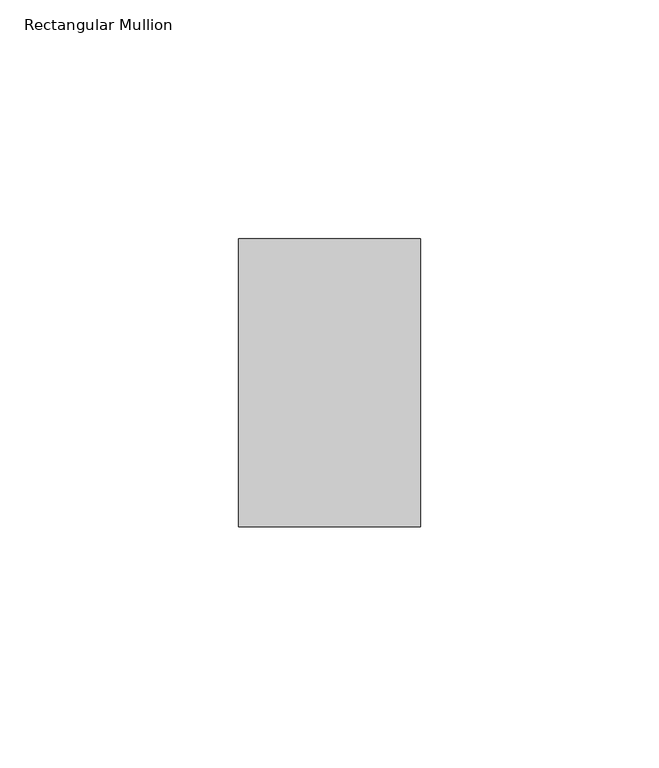
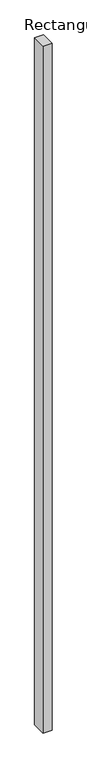
"""IFC4 building model written with IfcOpenShell, lengths in millimetres: member geometry, Rectangular Mullion."""

from ifc_helpers import new_model, si_unit, frame, origin, place, context, project, spatial, polyline, outline, extrude, source, transform, mapped, element, save


def rectangular_mullion_1c9bf372(model_context):
    return source(origin(), model_context, "Body", "SweptSolid", [
        extrude(outline(polyline([(0.0, -50.8), (-38.1, -50.8), (-38.1, 9.525), (0.0, 9.525), (0.0, -50.8)])), frame((0.0, 0.0, -3048.0), z_axis=(0.0, 0.0, 1.0), x_axis=(1.0, 0.0, 0.0)), (0.0, 0.0, 1.0), 3048.0),
    ])


if __name__ == "__main__":
    model = new_model("IFC4")
    model_context = context("Model", 3, world=origin())
    ifc_project = project(units=[si_unit("LENGTHUNIT", "METRE", prefix="MILLI")], contexts=[model_context])
    site = spatial("IfcSite", under=ifc_project)
    building = spatial("IfcBuilding", under=site)
    placement = place(None, origin())
    rectangular_mullion_shape = rectangular_mullion_1c9bf372(model_context)
    element("IfcMember", 1, ObjectType="Rectangular Mullion", at=placement, inside=building, context=model_context, shape_type="MappedRepresentation", body=[
        mapped(rectangular_mullion_shape, transform((0.0, 0.0, 0.0), x_axis=(1.0, 0.0, 0.0), y_axis=(0.0, 1.0, 0.0), z_axis=(0.0, 0.0, 1.0))),
    ])
    save(model, "model.ifc")
